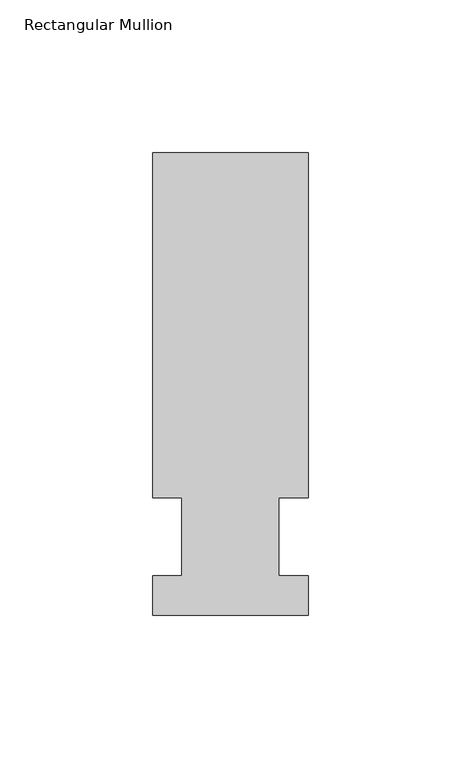
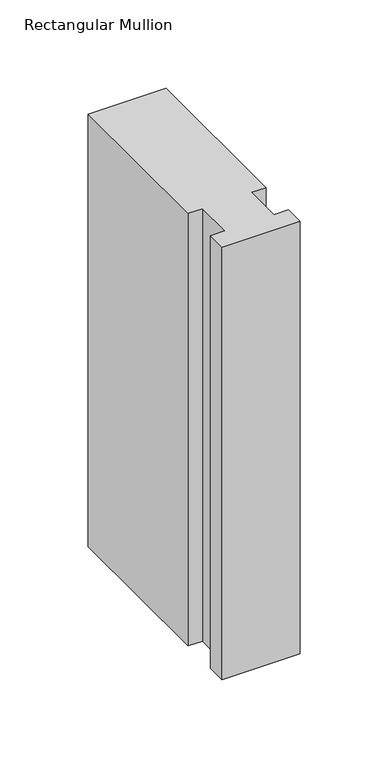
"""IFC4 building model written with IfcOpenShell, lengths in millimetres: member geometry, Rectangular Mullion."""

from ifc_helpers import new_model, si_unit, frame, origin, place, context, project, spatial, polyline, outline, extrude, source, transform, mapped, element, save


def rectangular_mullion_2727cb0a(model_context):
    return source(origin(), model_context, "Body", "SweptSolid", [
        extrude(outline(polyline([(-25.4, -25.5984375), (-25.4, -12.7), (-15.875, -12.7), (-15.875, 12.7), (-25.4, 12.7), (-25.4, 125.6109375), (25.4, 125.6109375), (25.4, 12.7), (15.875, 12.7), (15.875, -12.7), (25.4, -12.7), (25.4, -25.5984375), (-25.4, -25.5984375)])), frame((0.0, 0.0, -298.45), z_axis=(0.0, 0.0, 1.0), x_axis=(1.0, 0.0, 0.0)), (0.0, 0.0, 1.0), 298.45),
    ])


if __name__ == "__main__":
    model = new_model("IFC4")
    model_context = context("Model", 3, world=origin())
    ifc_project = project(units=[si_unit("LENGTHUNIT", "METRE", prefix="MILLI")], contexts=[model_context])
    site = spatial("IfcSite", under=ifc_project)
    building = spatial("IfcBuilding", under=site)
    placement = place(None, origin())
    rectangular_mullion_shape = rectangular_mullion_2727cb0a(model_context)
    element("IfcMember", 1, ObjectType="Rectangular Mullion", at=placement, inside=building, context=model_context, shape_type="MappedRepresentation", body=[
        mapped(rectangular_mullion_shape, transform((0.0, 0.0, 0.0), x_axis=(1.0, 0.0, 0.0), y_axis=(0.0, 1.0, 0.0), z_axis=(0.0, 0.0, 1.0))),
    ])
    save(model, "model.ifc")
